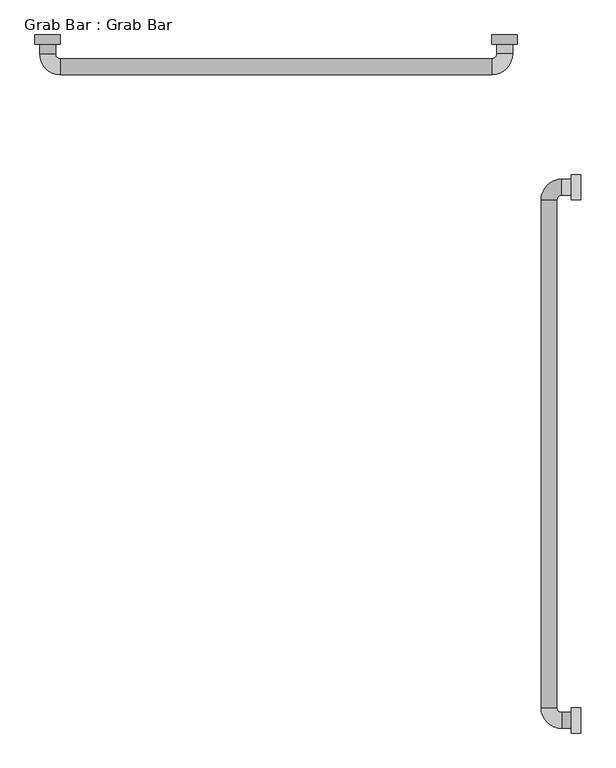
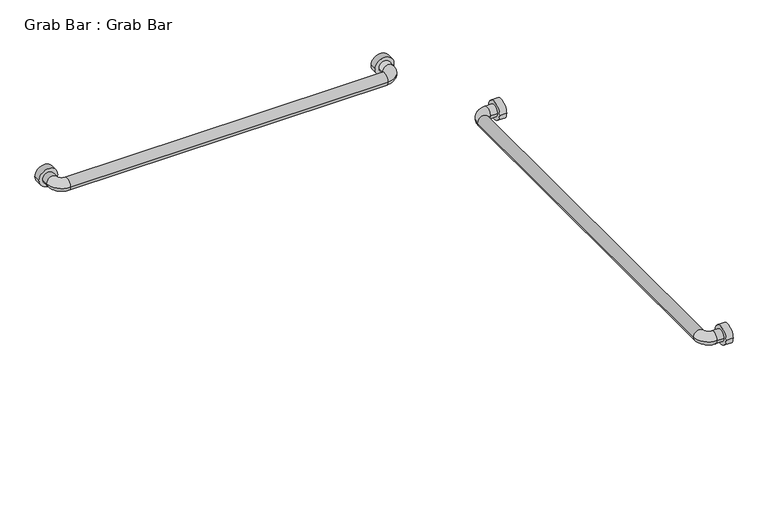
"""IFC4 building model written with IfcOpenShell, lengths in millimetres: proxy geometry, Grab Bar : Grab Bar."""

from ifc_helpers import new_model, si_unit, point, frame, frame_2d, origin, place, context, project, spatial, circle_curve, ellipse_curve, trimmed, segment, composite_curve, outline, extrude, source, transform, mapped, element, save
from ifc_brep_helpers import plane_surface, cylinder_surface, revolved_surface, advanced_brep


def grab_bar_grab_bar_a3ed3e83(model_context):
    return source(origin(), model_context, "Body", "SolidModel", [
        extrude(outline(composite_curve([segment(trimmed(circle_curve(frame_2d((-304.8, 914.4)), 25.4), [point((-279.4, 914.4))], [point((-330.2, 914.4))], False, "CARTESIAN"), True, "CONTINUOUS"), segment(trimmed(circle_curve(frame_2d((-304.8, 914.4)), 25.4), [point((-330.2, 914.4))], [point((-279.4, 914.4))], False, "CARTESIAN"), True, "CONTINUOUS")], self_intersect=False)), frame((-19.05, 0.0, 0.0), z_axis=(1.0, 0.0, 0.0), x_axis=(0.0, 1.0, 0.0)), (0.0, 0.0, 1.0), 19.05),
        extrude(outline(composite_curve([segment(trimmed(circle_curve(frame_2d((-1371.6, 914.4)), 25.4), [point((-1346.2, 914.4))], [point((-1397.0, 914.4))], False, "CARTESIAN"), True, "CONTINUOUS"), segment(trimmed(circle_curve(frame_2d((-1371.6, 914.4)), 25.4), [point((-1397.0, 914.4))], [point((-1346.2, 914.4))], False, "CARTESIAN"), True, "CONTINUOUS")], self_intersect=False)), frame((-19.05, 0.0, 0.0), z_axis=(1.0, 0.0, 0.0), x_axis=(0.0, 1.0, 0.0)), (0.0, 0.0, 1.0), 19.05),
        extrude(outline(composite_curve([segment(trimmed(circle_curve(frame_2d((914.4, -152.4)), 25.4), [point((914.4, -177.8))], [point((914.4, -127.0))], False, "CARTESIAN"), True, "CONTINUOUS"), segment(trimmed(circle_curve(frame_2d((914.4, -152.4)), 25.4), [point((914.4, -127.0))], [point((914.4, -177.8))], False, "CARTESIAN"), True, "CONTINUOUS")], self_intersect=False)), frame((0.0, -19.05, 0.0), z_axis=(0.0, 1.0, 0.0), x_axis=(0.0, 0.0, 1.0)), (0.0, 0.0, 1.0), 19.05),
        extrude(outline(composite_curve([segment(trimmed(circle_curve(frame_2d((914.4, -1066.8)), 25.4), [point((914.4, -1092.2))], [point((914.4, -1041.4))], False, "CARTESIAN"), True, "CONTINUOUS"), segment(trimmed(circle_curve(frame_2d((914.4, -1066.8)), 25.4), [point((914.4, -1041.4))], [point((914.4, -1092.2))], False, "CARTESIAN"), True, "CONTINUOUS")], self_intersect=False)), frame((0.0, -19.05, 0.0), z_axis=(0.0, 1.0, 0.0), x_axis=(0.0, 0.0, 1.0)), (0.0, 0.0, 1.0), 19.05),
        advanced_brep(
        [(-19.05, -320.675, 914.4), (-19.05, -288.925, 914.4), (-38.1, -288.925, 914.4), (-38.1, -320.675, 914.4), (-79.375, -330.2, 914.4), (-47.625, -330.2, 914.4), (-79.375, -1346.2, 914.4), (-47.625, -1346.2, 914.4), (-38.1, -1387.475, 914.4), (-38.1, -1355.725, 914.4), (-19.05, -1355.725, 914.4), (-19.05, -1387.475, 914.4)],
        [
            (0, 1, circle_curve(frame((-19.05, -304.8, 914.4), z_axis=(1.0, 0.0, 0.0), x_axis=(0.0, 1.0, 0.0)), 15.875)),
            (1, 0, circle_curve(frame((-19.05, -304.8, 914.4), z_axis=(1.0, 0.0, 0.0), x_axis=(0.0, 1.0, 0.0)), 15.875)),
            (1, 2),
            (2, 3, circle_curve(frame((-38.1, -304.8, 914.4), z_axis=(1.0, 0.0, 0.0), x_axis=(0.0, 1.0, 0.0)), 15.875)),
            (3, 0),
            (3, 2, circle_curve(frame((-38.1, -304.8, 914.4), z_axis=(1.0, 0.0, 0.0), x_axis=(0.0, 1.0, 0.0)), 15.875)),
            (4, 5, circle_curve(frame((-63.5, -330.2, 914.4), z_axis=(0.0, 1.0, 0.0), x_axis=(-1.0, 0.0, 0.0)), 15.875)),
            (5, 3, circle_curve(frame((-38.1, -330.2, 914.4), z_axis=(0.0, 0.0, -1.0), x_axis=(0.0, 1.0, 0.0)), 9.525)),
            (2, 4, circle_curve(frame((-38.1, -330.2, 914.4), z_axis=(0.0, 0.0, 1.0), x_axis=(0.0, 1.0, 0.0)), 41.275)),
            (5, 4, circle_curve(frame((-63.5, -330.2, 914.4), z_axis=(0.0, 1.0, 0.0), x_axis=(-1.0, 0.0, 0.0)), 15.875)),
            (4, 6),
            (6, 7, circle_curve(frame((-63.5, -1346.2, 914.4), z_axis=(0.0, 1.0, 0.0), x_axis=(-1.0, 0.0, 0.0)), 15.875)),
            (7, 5),
            (7, 6, circle_curve(frame((-63.5, -1346.2, 914.4), z_axis=(0.0, 1.0, 0.0), x_axis=(-1.0, 0.0, 0.0)), 15.875)),
            (8, 9, circle_curve(frame((-38.1, -1371.6, 914.4), z_axis=(-1.0, 0.0, 0.0), x_axis=(0.0, -1.0, 0.0)), 15.875)),
            (9, 7, circle_curve(frame((-38.1, -1346.2, 914.4), z_axis=(0.0, 0.0, -1.0), x_axis=(-1.0, 0.0, 0.0)), 9.525)),
            (6, 8, circle_curve(frame((-38.1, -1346.2, 914.4), z_axis=(0.0, 0.0, 1.0), x_axis=(-1.0, 0.0, 0.0)), 41.275)),
            (9, 8, circle_curve(frame((-38.1, -1371.6, 914.4), z_axis=(-1.0, 0.0, 0.0), x_axis=(0.0, -1.0, 0.0)), 15.875)),
            (10, 11, circle_curve(frame((-19.05, -1371.6, 914.4), z_axis=(1.0, 0.0, 0.0), x_axis=(0.0, -1.0, 0.0)), 15.875)),
            (11, 10, circle_curve(frame((-19.05, -1371.6, 914.4), z_axis=(1.0, 0.0, 0.0), x_axis=(0.0, -1.0, 0.0)), 15.875)),
            (8, 11),
            (10, 9),
        ],
        [
            plane_surface(frame((-19.05, -304.8, -930.275), z_axis=(1.0, 0.0, 0.0), x_axis=(0.0, 1.0, 0.0))),
            cylinder_surface(frame((-19.05, -304.8, 914.4), z_axis=(1.0, 0.0, 0.0), x_axis=(0.0, 1.0, 0.0)), 15.875),
            revolved_surface(trimmed(ellipse_curve(frame((-38.1, -304.8, 914.4), z_axis=(-1.0, 0.0, 0.0), x_axis=(0.0, 1.0, 0.0)), 15.875, 15.875), [point((-38.1, -320.675, 914.4))], [point((-38.1, -288.925, 914.4))], True, "CARTESIAN"), (-38.1, -330.2, 0.0), (0.0, 0.0, -1.0)),
            revolved_surface(trimmed(ellipse_curve(frame((-38.1, -304.8, 914.4), z_axis=(-1.0, 0.0, 0.0), x_axis=(0.0, 1.0, 0.0)), 15.875, 15.875), [point((-38.1, -288.925, 914.4))], [point((-38.1, -320.675, 914.4))], True, "CARTESIAN"), (-38.1, -330.2, 0.0), (0.0, 0.0, -1.0)),
            cylinder_surface(frame((-63.5, -330.2, 914.4), z_axis=(0.0, 1.0, 0.0), x_axis=(-1.0, 0.0, 0.0)), 15.875),
            revolved_surface(trimmed(ellipse_curve(frame((-63.5, -1346.2, 914.4), z_axis=(0.0, -1.0, 0.0), x_axis=(-1.0, 0.0, 0.0)), 15.875, 15.875), [point((-47.625, -1346.2, 914.4))], [point((-79.375, -1346.2, 914.4))], True, "CARTESIAN"), (-38.1, -1346.2, 0.0), (0.0, 0.0, -1.0)),
            revolved_surface(trimmed(ellipse_curve(frame((-63.5, -1346.2, 914.4), z_axis=(0.0, -1.0, 0.0), x_axis=(-1.0, 0.0, 0.0)), 15.875, 15.875), [point((-79.375, -1346.2, 914.4))], [point((-47.625, -1346.2, 914.4))], True, "CARTESIAN"), (-38.1, -1346.2, 0.0), (0.0, 0.0, -1.0)),
            plane_surface(frame((-19.05, -1371.6, -930.275), z_axis=(1.0, 0.0, 0.0), x_axis=(0.0, -1.0, 0.0))),
            cylinder_surface(frame((-38.1, -1371.6, 914.4), z_axis=(-1.0, 0.0, 0.0), x_axis=(0.0, -1.0, 0.0)), 15.875),
        ],
        [
            (0, [[1, 2]]),
            (1, [[3, 4, 5, -2]]),
            (1, [[-5, 6, -3, -1]]),
            (2, [[7, 8, -4, 9]]),
            (3, [[10, -9, -6, -8]]),
            (4, [[11, 12, 13, -7]]),
            (4, [[-13, 14, -11, -10]]),
            (5, [[15, 16, -12, 17]]),
            (6, [[18, -17, -14, -16]]),
            (7, [[19, 20]]),
            (8, [[21, -19, 22, -15]]),
            (8, [[-22, -20, -21, -18]]),
        ],
    ),
        advanced_brep(
        [(-1050.925, -19.05, 914.4), (-1082.675, -19.05, 914.4), (-1082.675, -38.1, 914.4), (-1050.925, -38.1, 914.4), (-1041.4, -79.375, 914.4), (-1041.4, -47.625, 914.4), (-177.8, -79.375, 914.4), (-177.8, -47.625, 914.4), (-136.525, -38.1, 914.4), (-168.275, -38.1, 914.4), (-168.275, -19.05, 914.4), (-136.525, -19.05, 914.4)],
        [
            (0, 1, circle_curve(frame((-1066.8, -19.05, 914.4), z_axis=(0.0, 1.0, 0.0), x_axis=(-1.0, 0.0, 0.0)), 15.875)),
            (1, 0, circle_curve(frame((-1066.8, -19.05, 914.4), z_axis=(0.0, 1.0, 0.0), x_axis=(-1.0, 0.0, 0.0)), 15.875)),
            (1, 2),
            (2, 3, circle_curve(frame((-1066.8, -38.1, 914.4), z_axis=(0.0, 1.0, 0.0), x_axis=(-1.0, 0.0, 0.0)), 15.875)),
            (3, 0),
            (3, 2, circle_curve(frame((-1066.8, -38.1, 914.4), z_axis=(0.0, 1.0, 0.0), x_axis=(-1.0, 0.0, 0.0)), 15.875)),
            (4, 5, circle_curve(frame((-1041.4, -63.5, 914.4), z_axis=(-1.0, 0.0, 0.0), x_axis=(0.0, -1.0, 0.0)), 15.875)),
            (5, 3, circle_curve(frame((-1041.4, -38.1, 914.4), z_axis=(0.0, 0.0, -1.0), x_axis=(-1.0, 0.0, 0.0)), 9.525)),
            (2, 4, circle_curve(frame((-1041.4, -38.1, 914.4), z_axis=(0.0, 0.0, 1.0), x_axis=(-1.0, 0.0, 0.0)), 41.275)),
            (5, 4, circle_curve(frame((-1041.4, -63.5, 914.4), z_axis=(-1.0, 0.0, 0.0), x_axis=(0.0, -1.0, 0.0)), 15.875)),
            (4, 6),
            (6, 7, circle_curve(frame((-177.8, -63.5, 914.4), z_axis=(-1.0, 0.0, 0.0), x_axis=(0.0, -1.0, 0.0)), 15.875)),
            (7, 5),
            (7, 6, circle_curve(frame((-177.8, -63.5, 914.4), z_axis=(-1.0, 0.0, 0.0), x_axis=(0.0, -1.0, 0.0)), 15.875)),
            (8, 9, circle_curve(frame((-152.4, -38.1, 914.4), z_axis=(0.0, -1.0, 0.0), x_axis=(1.0, 0.0, 0.0)), 15.875)),
            (9, 7, circle_curve(frame((-177.8, -38.1, 914.4), z_axis=(0.0, 0.0, -1.0), x_axis=(0.0, -1.0, 0.0)), 9.525)),
            (6, 8, circle_curve(frame((-177.8, -38.1, 914.4), z_axis=(0.0, 0.0, 1.0), x_axis=(0.0, -1.0, 0.0)), 41.275)),
            (9, 8, circle_curve(frame((-152.4, -38.1, 914.4), z_axis=(0.0, -1.0, 0.0), x_axis=(1.0, 0.0, 0.0)), 15.875)),
            (10, 11, circle_curve(frame((-152.4, -19.05, 914.4), z_axis=(0.0, 1.0, 0.0), x_axis=(1.0, 0.0, 0.0)), 15.875)),
            (11, 10, circle_curve(frame((-152.4, -19.05, 914.4), z_axis=(0.0, 1.0, 0.0), x_axis=(1.0, 0.0, 0.0)), 15.875)),
            (8, 11),
            (10, 9),
        ],
        [
            plane_surface(frame((-1997.075, -19.05, 0.0), z_axis=(0.0, 1.0, 0.0), x_axis=(0.0, 0.0, 1.0))),
            cylinder_surface(frame((-1066.8, -19.05, 914.4), z_axis=(0.0, 1.0, 0.0), x_axis=(-1.0, 0.0, 0.0)), 15.875),
            revolved_surface(trimmed(ellipse_curve(frame((-1066.8, -38.1, 914.4), z_axis=(0.0, -1.0, 0.0), x_axis=(-1.0, 0.0, 0.0)), 15.875, 15.875), [point((-1050.925, -38.1, 914.4))], [point((-1082.675, -38.1, 914.4))], True, "CARTESIAN"), (-1041.4, -38.1, 0.0), (0.0, 0.0, -1.0)),
            revolved_surface(trimmed(ellipse_curve(frame((-1066.8, -38.1, 914.4), z_axis=(0.0, -1.0, 0.0), x_axis=(-1.0, 0.0, 0.0)), 15.875, 15.875), [point((-1082.675, -38.1, 914.4))], [point((-1050.925, -38.1, 914.4))], True, "CARTESIAN"), (-1041.4, -38.1, 0.0), (0.0, 0.0, -1.0)),
            cylinder_surface(frame((-1041.4, -63.5, 914.4), z_axis=(-1.0, 0.0, 0.0), x_axis=(0.0, -1.0, 0.0)), 15.875),
            revolved_surface(trimmed(ellipse_curve(frame((-177.8, -63.5, 914.4), z_axis=(1.0, 0.0, 0.0), x_axis=(0.0, -1.0, 0.0)), 15.875, 15.875), [point((-177.8, -47.625, 914.4))], [point((-177.8, -79.375, 914.4))], True, "CARTESIAN"), (-177.8, -38.1, 0.0), (0.0, 0.0, -1.0)),
            revolved_surface(trimmed(ellipse_curve(frame((-177.8, -63.5, 914.4), z_axis=(1.0, 0.0, 0.0), x_axis=(0.0, -1.0, 0.0)), 15.875, 15.875), [point((-177.8, -79.375, 914.4))], [point((-177.8, -47.625, 914.4))], True, "CARTESIAN"), (-177.8, -38.1, 0.0), (0.0, 0.0, -1.0)),
            plane_surface(frame((-1082.675, -19.05, 0.0), z_axis=(0.0, 1.0, 0.0), x_axis=(0.0, 0.0, -1.0))),
            cylinder_surface(frame((-152.4, -38.1, 914.4), z_axis=(0.0, -1.0, 0.0), x_axis=(1.0, 0.0, 0.0)), 15.875),
        ],
        [
            (0, [[1, 2]]),
            (1, [[3, 4, 5, -2]]),
            (1, [[-5, 6, -3, -1]]),
            (2, [[7, 8, -4, 9]]),
            (3, [[10, -9, -6, -8]]),
            (4, [[11, 12, 13, -7]]),
            (4, [[-13, 14, -11, -10]]),
            (5, [[15, 16, -12, 17]]),
            (6, [[18, -17, -14, -16]]),
            (7, [[19, 20]]),
            (8, [[21, -19, 22, -15]]),
            (8, [[-22, -20, -21, -18]]),
        ],
    ),
    ])


if __name__ == "__main__":
    model = new_model("IFC4")
    model_context = context("Model", 3, world=origin())
    ifc_project = project(units=[si_unit("LENGTHUNIT", "METRE", prefix="MILLI")], contexts=[model_context])
    site = spatial("IfcSite", under=ifc_project)
    building = spatial("IfcBuilding", under=site)
    placement = place(None, origin())
    grab_bar_grab_bar_shape = grab_bar_grab_bar_a3ed3e83(model_context)
    element("IfcBuildingElementProxy", 1, Name="Grab Bar : Grab Bar", ObjectType="Grab Bar : Grab Bar", at=placement, inside=building, context=model_context, shape_type="MappedRepresentation", body=[
        mapped(grab_bar_grab_bar_shape, transform((0.0, 0.0, 0.0), x_axis=(1.0, 0.0, 0.0), y_axis=(0.0, 1.0, 0.0), z_axis=(0.0, 0.0, 1.0))),
    ])
    save(model, "model.ifc")
